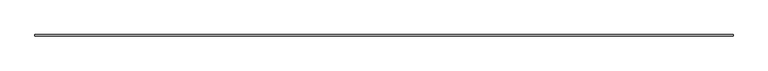
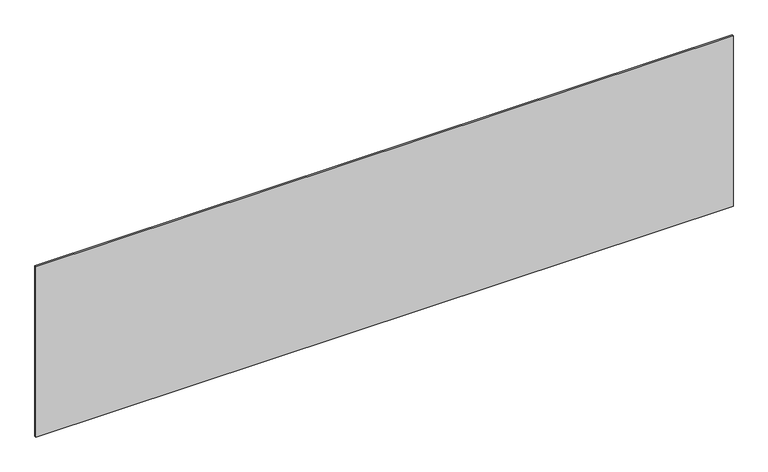
"""IFC4 building model written with IfcOpenShell, lengths in millimetres: plate geometry."""

from ifc_helpers import new_model, si_unit, origin, origin_with_axes, place, context, project, spatial, polyline, outline, extrude, source, transform, mapped, element, save


def plate_e6e96560(model_context):
    return source(origin(), model_context, "Body", "SweptSolid", [
        extrude(outline(polyline([(2264.1666667, -5.0), (-2264.1666667, -5.0), (-2264.1666667, 5.0), (2264.1666667, 5.0), (2264.1666667, -5.0)])), origin_with_axes(), (0.0, 0.0, 1.0), 1169.439502),
    ])


if __name__ == "__main__":
    model = new_model("IFC4")
    model_context = context("Model", 3, world=origin())
    ifc_project = project(units=[si_unit("LENGTHUNIT", "METRE", prefix="MILLI")], contexts=[model_context])
    site = spatial("IfcSite", under=ifc_project)
    building = spatial("IfcBuilding", under=site)
    placement = place(None, origin())
    plate_shape = plate_e6e96560(model_context)
    element("IfcPlate", 1, at=placement, inside=building, context=model_context, shape_type="MappedRepresentation", body=[
        mapped(plate_shape, transform((0.0, 0.0, 0.0), x_axis=(1.0, 0.0, 0.0), y_axis=(0.0, 1.0, 0.0), z_axis=(0.0, 0.0, 1.0))),
    ])
    save(model, "model.ifc")
